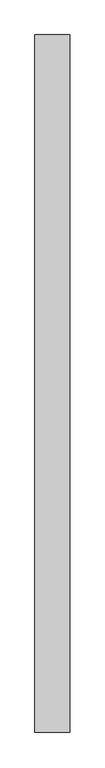
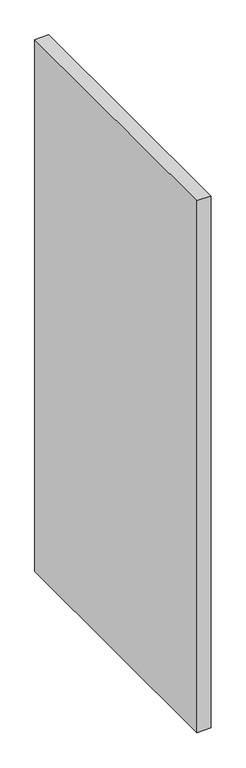
"""IFC4 building model written with IfcOpenShell, lengths in millimetres: proxy geometry."""

from ifc_helpers import new_model, si_unit, origin, origin_with_axes, place, context, project, spatial, polyline, outline, extrude, source, transform, mapped, element, save


def generic_models_4bbde0d5(model_context):
    return source(origin(), model_context, "Body", "SweptSolid", [
        extrude(outline(polyline([(100.0, 2000.0), (100.0, 0.0), (0.0, 0.0), (0.0, 2000.0), (100.0, 2000.0)])), origin_with_axes(), (0.0, 0.0, 1.0), 4000.0),
    ])


if __name__ == "__main__":
    model = new_model("IFC4")
    model_context = context("Model", 3, world=origin())
    ifc_project = project(units=[si_unit("LENGTHUNIT", "METRE", prefix="MILLI")], contexts=[model_context])
    site = spatial("IfcSite", under=ifc_project)
    building = spatial("IfcBuilding", under=site)
    placement = place(None, origin())
    generic_models_shape = generic_models_4bbde0d5(model_context)
    element("IfcBuildingElementProxy", 1, Name="Generic Models", at=placement, inside=building, context=model_context, shape_type="MappedRepresentation", body=[
        mapped(generic_models_shape, transform((0.0, 0.0, 0.0), x_axis=(1.0, 0.0, 0.0), y_axis=(0.0, 1.0, 0.0), z_axis=(0.0, 0.0, 1.0))),
    ])
    save(model, "model.ifc")
